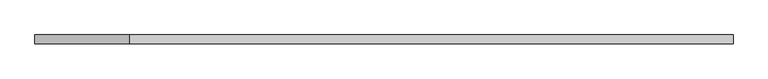
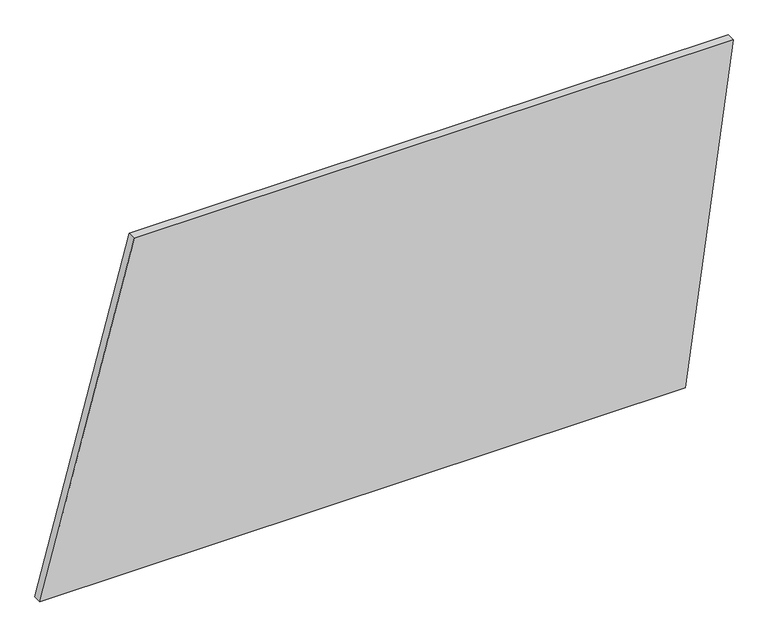
"""IFC4 building model written with IfcOpenShell, lengths in millimetres: plate geometry."""

from ifc_helpers import new_model, si_unit, frame, origin, place, context, project, spatial, polyline, outline, extrude, source, transform, mapped, element, save


def plate_635409b1(model_context):
    return source(origin(), model_context, "Body", "SweptSolid", [
        extrude(outline(polyline([(0.0, -986.7011447), (0.0, 850.9491228), (1000.0, 986.7011447), (1000.0, -718.7519523), (0.0, -986.7011447)])), frame((0.0, 24.5, 0.0), z_axis=(0.0, 1.0, 0.0), x_axis=(0.0, 0.0, 1.0)), (0.0, 0.0, 1.0), 25.0),
    ])


if __name__ == "__main__":
    model = new_model("IFC4")
    model_context = context("Model", 3, world=origin())
    ifc_project = project(units=[si_unit("LENGTHUNIT", "METRE", prefix="MILLI")], contexts=[model_context])
    site = spatial("IfcSite", under=ifc_project)
    building = spatial("IfcBuilding", under=site)
    placement = place(None, origin())
    plate_shape = plate_635409b1(model_context)
    element("IfcPlate", 1, at=placement, inside=building, context=model_context, shape_type="MappedRepresentation", body=[
        mapped(plate_shape, transform((0.0, 0.0, 0.0), x_axis=(1.0, 0.0, 0.0), y_axis=(0.0, 1.0, 0.0), z_axis=(0.0, 0.0, 1.0))),
    ])
    save(model, "model.ifc")
